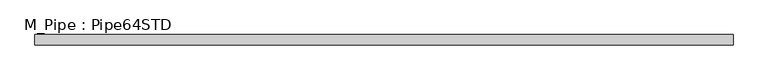
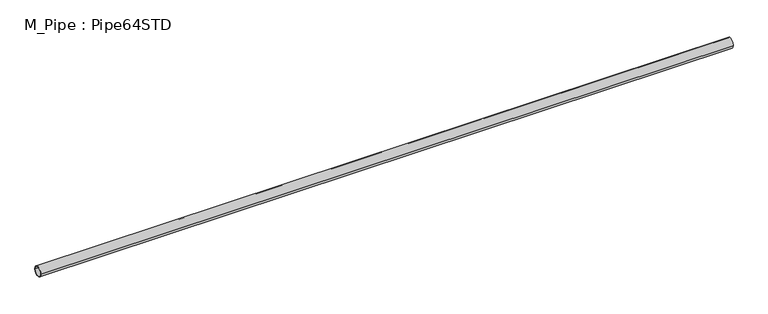
"""IFC4 building model written with IfcOpenShell, lengths in millimetres: beam geometry, M_Pipe : Pipe64STD."""

from ifc_helpers import new_model, si_unit, point, frame, origin, origin_2d, place, context, project, spatial, circle_curve, trimmed, segment, composite_curve, outline, extrude, source, transform, mapped, element, save


def m_pipe_pipe64std_20e06b18(model_context):
    return source(origin(), model_context, "Body", "SweptSolid", [
        extrude(outline(composite_curve([segment(trimmed(circle_curve(origin_2d(), 36.6), [point((-36.6, 0.0))], [point((36.6, 0.0))], False, "CARTESIAN"), True, "CONTINUOUS"), segment(trimmed(circle_curve(origin_2d(), 36.6), [point((36.6, 0.0))], [point((-36.6, 0.0))], False, "CARTESIAN"), True, "CONTINUOUS")], self_intersect=False), holes=[composite_curve([segment(trimmed(circle_curve(origin_2d(), 31.44), [point((31.44, 0.0))], [point((-31.44, 0.0))], True, "CARTESIAN"), True, "CONTINUOUS"), segment(trimmed(circle_curve(origin_2d(), 31.44), [point((-31.44, 0.0))], [point((31.44, 0.0))], True, "CARTESIAN"), True, "CONTINUOUS")], self_intersect=False)]), frame((-2505.3, 0.0, 0.0), z_axis=(1.0, 0.0, 0.0), x_axis=(0.0, 1.0, 0.0)), (0.0, 0.0, 1.0), 5005.3),
    ])


if __name__ == "__main__":
    model = new_model("IFC4")
    model_context = context("Model", 3, world=origin())
    ifc_project = project(units=[si_unit("LENGTHUNIT", "METRE", prefix="MILLI")], contexts=[model_context])
    site = spatial("IfcSite", under=ifc_project)
    building = spatial("IfcBuilding", under=site)
    placement = place(None, origin())
    m_pipe_pipe64std_shape = m_pipe_pipe64std_20e06b18(model_context)
    element("IfcBeam", 1, ObjectType="M_Pipe : Pipe64STD", at=placement, inside=building, context=model_context, shape_type="MappedRepresentation", body=[
        mapped(m_pipe_pipe64std_shape, transform((0.0, 0.0, 0.0), x_axis=(1.0, 0.0, 0.0), y_axis=(0.0, 1.0, 0.0), z_axis=(0.0, 0.0, 1.0))),
    ])
    save(model, "model.ifc")
